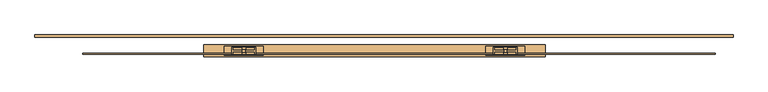
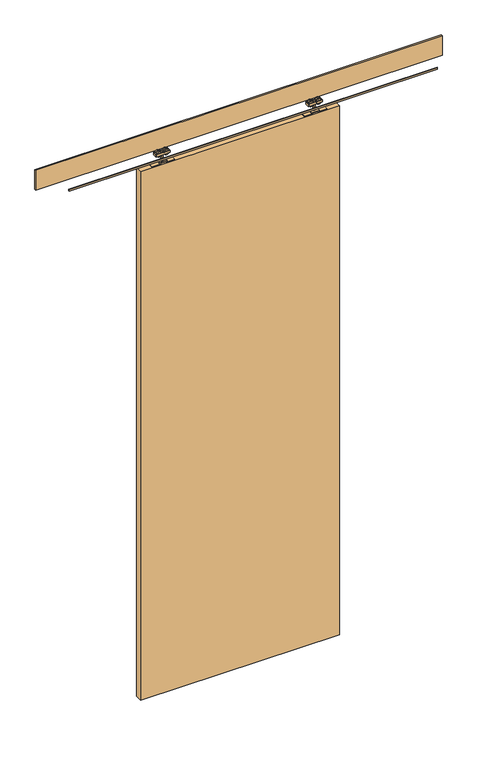
"""IFC4 building model written with IfcOpenShell, lengths in millimetres: door geometry."""

from ifc_helpers import new_model, si_unit, point, frame, frame_2d, origin, place, context, project, spatial, polyline, circle_curve, trimmed, segment, composite_curve, outline, extrude, source, transform, mapped, element, save


def door_24cc4c74(model_context):
    return source(origin(), model_context, "Body", "SweptSolid", [
        extrude(outline(composite_curve([segment(trimmed(circle_curve(frame_2d((2902.430297, -404.25)), 13.5), [point((2902.430297, -417.75))], [point((2902.430297, -390.75))], False, "CARTESIAN"), True, "CONTINUOUS"), segment(trimmed(circle_curve(frame_2d((2902.430297, -404.25)), 13.5), [point((2902.430297, -390.75))], [point((2902.430297, -417.75))], False, "CARTESIAN"), True, "CONTINUOUS")], self_intersect=False)), frame((0.0, -13.9509888, 0.0), z_axis=(0.0, 1.0, 0.0), x_axis=(0.0, 0.0, 1.0)), (0.0, 0.0, 1.0), 5.2084151),
        extrude(outline(composite_curve([segment(trimmed(circle_curve(frame_2d((2902.430297, -366.75)), 13.5), [point((2902.430297, -353.25))], [point((2902.430297, -380.25))], False, "CARTESIAN"), True, "CONTINUOUS"), segment(trimmed(circle_curve(frame_2d((2902.430297, -366.75)), 13.5), [point((2902.430297, -380.25))], [point((2902.430297, -353.25))], False, "CARTESIAN"), True, "CONTINUOUS")], self_intersect=False)), frame((0.0, -13.9509888, 0.0), z_axis=(0.0, 1.0, 0.0), x_axis=(0.0, 0.0, 1.0)), (0.0, 0.0, 1.0), 5.2084151),
        extrude(outline(composite_curve([segment(trimmed(circle_curve(frame_2d((2902.430297, -404.25)), 13.5), [point((2902.430297, -417.75))], [point((2902.430297, -390.75))], False, "CARTESIAN"), True, "CONTINUOUS"), segment(trimmed(circle_curve(frame_2d((2902.430297, -404.25)), 13.5), [point((2902.430297, -390.75))], [point((2902.430297, -417.75))], False, "CARTESIAN"), True, "CONTINUOUS")], self_intersect=False)), frame((0.0, -0.7425737, 0.0), z_axis=(0.0, 1.0, 0.0), x_axis=(0.0, 0.0, 1.0)), (0.0, 0.0, 1.0), 5.0880554),
        extrude(outline(composite_curve([segment(trimmed(circle_curve(frame_2d((2902.430297, -366.75)), 13.5), [point((2902.430297, -353.25))], [point((2902.430297, -380.25))], False, "CARTESIAN"), True, "CONTINUOUS"), segment(trimmed(circle_curve(frame_2d((2902.430297, -366.75)), 13.5), [point((2902.430297, -380.25))], [point((2902.430297, -353.25))], False, "CARTESIAN"), True, "CONTINUOUS")], self_intersect=False)), frame((0.0, -0.7425737, 0.0), z_axis=(0.0, 1.0, 0.0), x_axis=(0.0, 0.0, 1.0)), (0.0, 0.0, 1.0), 5.0880554),
        extrude(outline(polyline([(-420.5, -15.2425737), (-420.5, 5.7574263), (-350.5, 5.7574263), (-350.5, -15.2425737), (-420.5, -15.2425737)])), frame((0.0, 0.0, 2894.5), z_axis=(0.0, 0.0, 1.0), x_axis=(1.0, 0.0, 0.0)), (0.0, 0.0, 1.0), 13.0),
        extrude(outline(polyline([(-389.5, -8.7425737), (-389.5, -0.7425737), (-381.5, -0.7425737), (-381.5, -8.7425737), (-389.5, -8.7425737)])), frame((0.0, 0.0, 2853.0), z_axis=(0.0, 0.0, 1.0), x_axis=(1.0, 0.0, 0.0)), (0.0, 0.0, 1.0), 56.0),
        extrude(outline(polyline([(2853.0, -328.5), (2853.0, -366.5), (2859.0, -366.5), (2859.0, -404.5), (2853.0, -404.5), (2853.0, -442.5), (2849.0, -442.5), (2849.0, -400.5), (2855.0, -400.5), (2855.0, -370.5), (2849.0, -370.5), (2849.0, -328.5), (2853.0, -328.5)])), frame((0.0, -17.7425737, 0.0), z_axis=(0.0, 1.0, 0.0), x_axis=(0.0, 0.0, 1.0)), (0.0, 0.0, 1.0), 26.0),
        extrude(outline(composite_curve([segment(trimmed(circle_curve(frame_2d((2902.430297, 399.25)), 13.5), [point((2902.430297, 412.75))], [point((2902.430297, 385.75))], False, "CARTESIAN"), True, "CONTINUOUS"), segment(trimmed(circle_curve(frame_2d((2902.430297, 399.25)), 13.5), [point((2902.430297, 385.75))], [point((2902.430297, 412.75))], False, "CARTESIAN"), True, "CONTINUOUS")], self_intersect=False)), frame((0.0, -13.9509888, 0.0), z_axis=(0.0, 1.0, 0.0), x_axis=(0.0, 0.0, 1.0)), (0.0, 0.0, 1.0), 5.2084151),
        extrude(outline(composite_curve([segment(trimmed(circle_curve(frame_2d((2902.430297, 361.75)), 13.5), [point((2902.430297, 348.25))], [point((2902.430297, 375.25))], False, "CARTESIAN"), True, "CONTINUOUS"), segment(trimmed(circle_curve(frame_2d((2902.430297, 361.75)), 13.5), [point((2902.430297, 375.25))], [point((2902.430297, 348.25))], False, "CARTESIAN"), True, "CONTINUOUS")], self_intersect=False)), frame((0.0, -13.9509888, 0.0), z_axis=(0.0, 1.0, 0.0), x_axis=(0.0, 0.0, 1.0)), (0.0, 0.0, 1.0), 5.2084151),
        extrude(outline(composite_curve([segment(trimmed(circle_curve(frame_2d((2902.430297, 399.25)), 13.5), [point((2902.430297, 412.75))], [point((2902.430297, 385.75))], False, "CARTESIAN"), True, "CONTINUOUS"), segment(trimmed(circle_curve(frame_2d((2902.430297, 399.25)), 13.5), [point((2902.430297, 385.75))], [point((2902.430297, 412.75))], False, "CARTESIAN"), True, "CONTINUOUS")], self_intersect=False)), frame((0.0, -0.7425737, 0.0), z_axis=(0.0, 1.0, 0.0), x_axis=(0.0, 0.0, 1.0)), (0.0, 0.0, 1.0), 5.0880554),
        extrude(outline(composite_curve([segment(trimmed(circle_curve(frame_2d((2902.430297, 361.75)), 13.5), [point((2902.430297, 348.25))], [point((2902.430297, 375.25))], False, "CARTESIAN"), True, "CONTINUOUS"), segment(trimmed(circle_curve(frame_2d((2902.430297, 361.75)), 13.5), [point((2902.430297, 375.25))], [point((2902.430297, 348.25))], False, "CARTESIAN"), True, "CONTINUOUS")], self_intersect=False)), frame((0.0, -0.7425737, 0.0), z_axis=(0.0, 1.0, 0.0), x_axis=(0.0, 0.0, 1.0)), (0.0, 0.0, 1.0), 5.0880554),
        extrude(outline(polyline([(415.5, -15.2425737), (345.5, -15.2425737), (345.5, 5.7574263), (415.5, 5.7574263), (415.5, -15.2425737)])), frame((0.0, 0.0, 2894.5), z_axis=(0.0, 0.0, 1.0), x_axis=(1.0, 0.0, 0.0)), (0.0, 0.0, 1.0), 13.0),
        extrude(outline(polyline([(384.5, -8.7425737), (376.5, -8.7425737), (376.5, -0.7425737), (384.5, -0.7425737), (384.5, -8.7425737)])), frame((0.0, 0.0, 2853.0), z_axis=(0.0, 0.0, 1.0), x_axis=(1.0, 0.0, 0.0)), (0.0, 0.0, 1.0), 56.0),
        extrude(outline(polyline([(2853.0, 323.5), (2849.0, 323.5), (2849.0, 365.5), (2855.0, 365.5), (2855.0, 395.5), (2849.0, 395.5), (2849.0, 437.5), (2853.0, 437.5), (2853.0, 399.5), (2859.0, 399.5), (2859.0, 361.5), (2853.0, 361.5), (2853.0, 323.5)])), frame((0.0, -17.7425737, 0.0), z_axis=(0.0, 1.0, 0.0), x_axis=(0.0, 0.0, 1.0)), (0.0, 0.0, 1.0), 26.0),
        extrude(outline(polyline([(-502.5, 12.7574263), (497.5, 12.7574263), (497.5, -22.2425737), (-502.5, -22.2425737), (-502.5, 12.7574263)])), frame((0.0, 0.0, 40.0), z_axis=(0.0, 0.0, 1.0), x_axis=(1.0, 0.0, 0.0)), (0.0, 0.0, 1.0), 2809.0),
        extrude(outline(polyline([(995.5, -14.7394005), (-857.5, -14.7394005), (-857.5, -10.9693523), (995.5, -10.9693523), (995.5, -14.7394005)])), frame((0.0, 0.0, 2866.3008197), z_axis=(0.0, 0.0, 1.0), x_axis=(1.0, 0.0, 0.0)), (0.0, 0.0, 1.0), 6.6991803),
        extrude(outline(polyline([(1047.5, 42.0), (1047.5, 35.7), (-997.5, 35.7), (-997.5, 42.0), (1047.5, 42.0)])), frame((0.0, 0.0, 2890.0), z_axis=(0.0, 0.0, 1.0), x_axis=(1.0, 0.0, 0.0)), (0.0, 0.0, 1.0), 105.0),
    ])


if __name__ == "__main__":
    model = new_model("IFC4")
    model_context = context("Model", 3, world=origin())
    ifc_project = project(units=[si_unit("LENGTHUNIT", "METRE", prefix="MILLI")], contexts=[model_context])
    site = spatial("IfcSite", under=ifc_project)
    building = spatial("IfcBuilding", under=site)
    placement = place(None, origin())
    door_shape = door_24cc4c74(model_context)
    element("IfcDoor", 1, at=placement, inside=building, context=model_context, shape_type="MappedRepresentation", body=[
        mapped(door_shape, transform((0.0, 0.0, 0.0), x_axis=(1.0, 0.0, 0.0), y_axis=(0.0, 1.0, 0.0), z_axis=(0.0, 0.0, 1.0))),
    ])
    save(model, "model.ifc")
